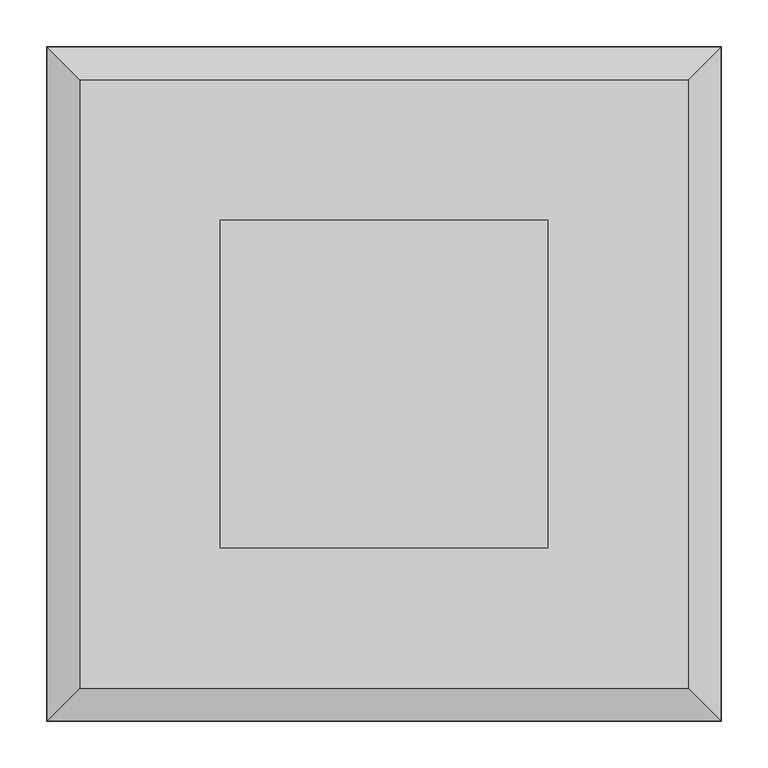
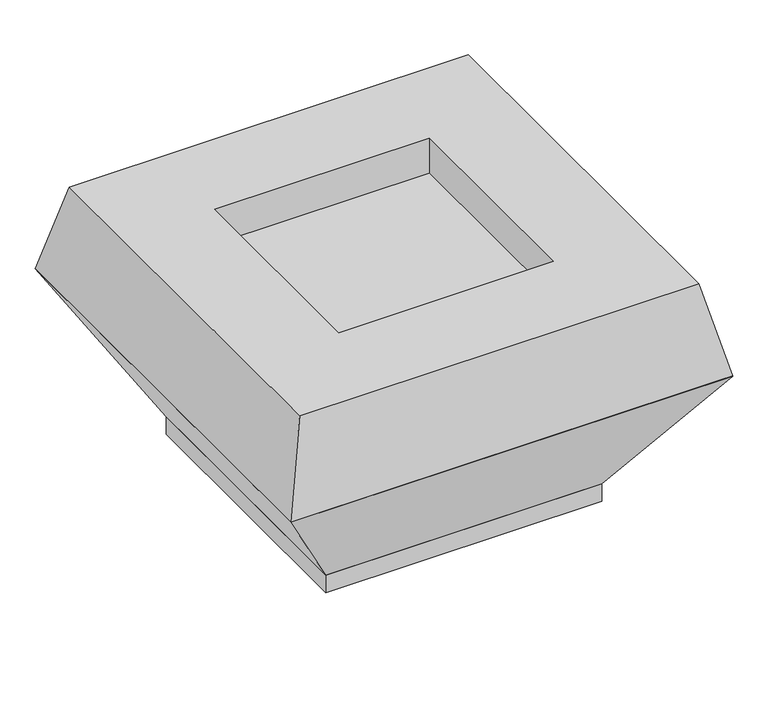
"""IFC4 building model written with IfcOpenShell, lengths in millimetres: proxy geometry."""

import ifcopenshell
import ifcopenshell.guid

model = None  # the IFC model being written
_history = None  # IfcOwnerHistory: only IFC2X3 demands one
_inside = {}  # id of a spatial element -> (the spatial element, [elements in it])
_under = {}  # id of a project, library or spatial element -> (it, [spatial elements below it])
_declared = {}  # id of a project -> (the project, [libraries it declares])
_typed = {}  # id of a type object -> (the type object, [elements of that type])
_made_of = {}  # id of a material, layer set ... -> (it, [elements and type objects made of it])


def new_model(schema):
    """Start an empty IFC model of exactly this schema.

    Asked for "IFC4X3", IfcOpenShell would pick the latest addendum, in which some entities
    have other attributes; the version numbers below select the first issue.
    IFC2X3 requires an IfcOwnerHistory on every rooted entity: one is made here for all.
    """
    global model, _history
    if schema == "IFC4X3":
        model = ifcopenshell.file(schema_version=(4, 3, 0, 0))
    else:
        model = ifcopenshell.file(schema=schema)
    _inside.clear()
    _under.clear()
    _declared.clear()
    _typed.clear()
    _made_of.clear()
    _history = None
    if model.schema == "IFC2X3":
        org = make("IfcOrganization", Name="unknown")
        user = make(
            "IfcPersonAndOrganization",
            ThePerson=make("IfcPerson", FamilyName="unknown"),
            TheOrganization=org,
        )
        app = make(
            "IfcApplication",
            ApplicationDeveloper=org,
            Version="unknown",
            ApplicationFullName="unknown",
            ApplicationIdentifier="unknown",
        )
        _history = make(
            "IfcOwnerHistory",
            OwningUser=user,
            OwningApplication=app,
            ChangeAction="ADDED",
            CreationDate=0,
        )
    return model


def make(cls, **values):
    """One entity of the class cls with the attributes given. An attribute that is None is left unset."""
    return model.create_entity(
        cls, **{name: value for name, value in values.items() if value is not None}
    )


def rooted(cls, **values):
    """An entity with a GlobalId (a new one), such as an element, a storey or a relation."""
    return make(cls, GlobalId=ifcopenshell.guid.new(), OwnerHistory=_history, **values)


def si_unit(unit_type, name, prefix=None):
    """IfcSIUnit, for example si_unit("LENGTHUNIT", "METRE", prefix="MILLI")."""
    return make("IfcSIUnit", UnitType=unit_type, Prefix=prefix, Name=name)


def assignment(units):
    """IfcUnitAssignment: the units of a project."""
    return None if units is None else make("IfcUnitAssignment", Units=units)


def point(xyz):
    """IfcCartesianPoint."""
    return None if xyz is None else make("IfcCartesianPoint", Coordinates=xyz)


def direction(xyz):
    """IfcDirection."""
    return None if xyz is None else make("IfcDirection", DirectionRatios=xyz)


def frame(location, z_axis=None, x_axis=None):
    """IfcAxis2Placement3D, a coordinate frame: its origin and axes. An axis left out is left unset."""
    return make(
        "IfcAxis2Placement3D",
        Location=point(location),
        Axis=direction(z_axis),
        RefDirection=direction(x_axis),
    )


def origin():
    """The frame at (0, 0, 0) with its axes left unset."""
    return frame((0.0, 0.0, 0.0))


def origin_with_axes():
    """The frame at (0, 0, 0) with the z axis (0, 0, 1) and the x axis (1, 0, 0) written out."""
    return frame((0.0, 0.0, 0.0), z_axis=(0.0, 0.0, 1.0), x_axis=(1.0, 0.0, 0.0))


def place(relative_to, where):
    """IfcLocalPlacement: puts the frame where relative to a parent placement (None: the world)."""
    return make(
        "IfcLocalPlacement", PlacementRelTo=relative_to, RelativePlacement=where
    )


def context(
    kind, dimensions, precision=None, world=None, true_north=None, identifier=None
):
    """IfcGeometricRepresentationContext, for example the 3D "Model" context."""
    return make(
        "IfcGeometricRepresentationContext",
        ContextIdentifier=identifier,
        ContextType=kind,
        CoordinateSpaceDimension=dimensions,
        Precision=precision,
        WorldCoordinateSystem=world,
        TrueNorth=true_north,
    )


def project(units=None, contexts=None):
    """IfcProject with its units and contexts."""
    return rooted(
        "IfcProject",
        Name="project",
        RepresentationContexts=contexts,
        UnitsInContext=assignment(units),
    )


def spatial(cls, under=None, at=None, **own):
    """A site, building, storey or space (cls), placed at a placement, below another one or the project."""
    s = rooted(cls, ObjectPlacement=at, **own)
    if under is not None:
        _under.setdefault(under.id(), (under, []))[1].append(s)
    return s


def polyline(points):
    """IfcPolyline through the points."""
    return make("IfcPolyline", Points=[point(p) for p in points])


def outline(outer, holes=None, kind="AREA"):
    """IfcArbitraryClosedProfileDef: a profile drawn as a closed curve; with holes, ...WithVoids."""
    if holes is None:
        return make("IfcArbitraryClosedProfileDef", ProfileType=kind, OuterCurve=outer)
    return make(
        "IfcArbitraryProfileDefWithVoids",
        ProfileType=kind,
        OuterCurve=outer,
        InnerCurves=holes,
    )


def extrude(swept, where, along, depth):
    """IfcExtrudedAreaSolid: the profile swept, set in the frame where, extruded along a direction by depth."""
    return make(
        "IfcExtrudedAreaSolid",
        SweptArea=swept,
        Position=where,
        ExtrudedDirection=direction(along),
        Depth=depth,
    )


def faces_of(points, faces, orient=None, outer=None):
    """IfcFace entities. A face is a list of loops; a loop is a list of indices into points, from 0.

    orient and outer hold one flag for each loop. By default every Orientation is true, the
    first loop of a face is its IfcFaceOuterBound and the others are IfcFaceBound.
    """
    made = []
    for i, loops in enumerate(faces):
        bounds = []
        for j, loop in enumerate(loops):
            is_outer = j == 0 if outer is None else outer[i][j]
            bounds.append(
                make(
                    "IfcFaceOuterBound" if is_outer else "IfcFaceBound",
                    Bound=make("IfcPolyLoop", Polygon=[points[k] for k in loop]),
                    Orientation=True if orient is None else orient[i][j],
                )
            )
        made.append(make("IfcFace", Bounds=bounds))
    return made


def faceted_brep(points, faces, orient=None, outer=None, voids=None):
    """IfcFacetedBrep: a solid bounded by flat faces; with voids (closed shells), ...WithVoids."""
    shared = [point(p) for p in points]
    hull = make("IfcClosedShell", CfsFaces=faces_of(shared, faces, orient, outer))
    if voids is None:
        return make("IfcFacetedBrep", Outer=hull)
    return make(
        "IfcFacetedBrepWithVoids",
        Outer=hull,
        Voids=[
            make(cls, CfsFaces=faces_of(shared, fs, o, b)) for cls, fs, o, b in voids
        ],
    )


def shape(context_of_items, identifier, shape_type, items):
    """IfcShapeRepresentation: the items that make up one representation, for example the "Body"."""
    return make(
        "IfcShapeRepresentation",
        ContextOfItems=context_of_items,
        RepresentationIdentifier=identifier,
        RepresentationType=shape_type,
        Items=items,
    )


def source(mapping_origin, context_of_items, identifier, shape_type, items):
    """IfcRepresentationMap: a shape defined once, which mapped items show again and again."""
    return make(
        "IfcRepresentationMap",
        MappingOrigin=mapping_origin,
        MappedRepresentation=shape(context_of_items, identifier, shape_type, items),
    )


def transform(
    local_origin,
    x_axis=None,
    y_axis=None,
    z_axis=None,
    scale=None,
    scale2=None,
    scale3=None,
    uniform=True,
):
    """IfcCartesianTransformationOperator3D, or its non-uniform kind. x_axis, y_axis, z_axis: its Axis1, 2, 3."""
    if uniform:
        return make(
            "IfcCartesianTransformationOperator3D",
            Axis1=direction(x_axis),
            Axis2=direction(y_axis),
            LocalOrigin=point(local_origin),
            Scale=scale,
            Axis3=direction(z_axis),
        )
    return make(
        "IfcCartesianTransformationOperator3DnonUniform",
        Axis1=direction(x_axis),
        Axis2=direction(y_axis),
        LocalOrigin=point(local_origin),
        Scale=scale,
        Axis3=direction(z_axis),
        Scale2=scale2,
        Scale3=scale3,
    )


def mapped(mapping_source, mapping_target):
    """IfcMappedItem: shows the shape of a source again, moved by a transform."""
    return make(
        "IfcMappedItem", MappingSource=mapping_source, MappingTarget=mapping_target
    )


def made_of(thing, what):
    """Note that an element or type object is made of a material, layer set ...; save() writes the relation."""
    if what is not None:
        _made_of.setdefault(what.id(), (what, []))[1].append(thing)
    return thing


def element(
    cls,
    number,
    at=None,
    inside=None,
    cuts=None,
    type_object=None,
    material=None,
    context=None,
    identifier="Body",
    shape_type=None,
    held_by="IfcProductDefinitionShape",
    body=None,
    shapes=None,
    **own,
):
    """One element of the class cls, such as IfcWall. Its Tag is "e" and its number.

    at: its placement. inside: the storey or other place that contains it. cuts: it is an
    opening in that element (IfcRelVoidsElement). A single representation is given by context,
    identifier, shape_type and body (its items); several are given by shapes. held_by: the class
    of the entity that holds the representations. save() writes the other relations.
    """
    e = rooted(cls, Tag="e%d" % number, ObjectPlacement=at, **own)
    if body is not None:
        shapes = [shape(context, identifier, shape_type, body)]
    if shapes is not None:
        e.Representation = make(held_by, Representations=shapes)
    if inside is not None:
        _inside.setdefault(inside.id(), (inside, []))[1].append(e)
    if cuts is not None:
        rooted(
            "IfcRelVoidsElement", RelatingBuildingElement=cuts, RelatedOpeningElement=e
        )
    if type_object is not None:
        _typed.setdefault(type_object.id(), (type_object, []))[1].append(e)
    return made_of(e, material)


def aggregate(whole, parts):
    """IfcRelAggregates: a whole, such as a stair, and the parts it consists of."""
    return rooted("IfcRelAggregates", RelatingObject=whole, RelatedObjects=parts)


def save(model, path):
    """Write the relations noted so far, then the file.

    IfcRelAggregates (storeys below a building ...), IfcRelContainedInSpatialStructure (elements
    in a storey), IfcRelDefinesByType, IfcRelAssociatesMaterial and IfcRelDeclares: one each for
    every whole, place, type object, material and project.
    """
    for whole, parts in _under.values():
        aggregate(whole, parts)
    for where, things in _inside.values():
        rooted(
            "IfcRelContainedInSpatialStructure",
            RelatedElements=things,
            RelatingStructure=where,
        )
    for kind, things in _typed.values():
        rooted("IfcRelDefinesByType", RelatedObjects=things, RelatingType=kind)
    for what, things in _made_of.values():
        rooted("IfcRelAssociatesMaterial", RelatedObjects=things, RelatingMaterial=what)
    for by, libraries in _declared.values():
        rooted("IfcRelDeclares", RelatingContext=by, RelatedDefinitions=libraries)
    model.write(path)


def mechanical_equipment_0cf6dc37(model_context):
    return source(origin(), model_context, "Body", "SolidModel", [
        faceted_brep([(360.0, 360.0, 250.0), (-360.0, 360.0, 250.0), (-360.0, -360.0, 250.0), (360.0, -360.0, 250.0), (225.0, 225.0, 30.0), (225.0, -225.0, 30.0), (-225.0, -225.0, 30.0), (-225.0, 225.0, 30.0)], [[[0, 1, 2, 3]], [[4, 5, 6, 7]], [[4, 7, 1, 0]], [[7, 6, 2, 1]], [[6, 5, 3, 2]], [[5, 4, 0, 3]]]),
        faceted_brep([(325.0, 325.0, 400.0), (-325.0, 325.0, 400.0), (-325.0, -325.0, 400.0), (325.0, -325.0, 400.0), (-175.0, 175.0, 400.0), (175.0, 175.0, 400.0), (175.0, -175.0, 400.0), (-175.0, -175.0, 400.0), (360.0, 360.0, 250.0), (360.0, -360.0, 250.0), (-360.0, -360.0, 250.0), (-360.0, 360.0, 250.0), (175.0, 175.0, 340.0), (-175.0, 175.0, 340.0), (-175.0, -175.0, 340.0), (175.0, -175.0, 340.0)], [[[0, 1, 2, 3], [4, 5, 6, 7]], [[8, 9, 10, 11]], [[1, 0, 8, 11]], [[2, 1, 11, 10]], [[3, 2, 10, 9]], [[0, 3, 9, 8]], [[12, 13, 14, 15]], [[13, 12, 5, 4]], [[14, 13, 4, 7]], [[15, 14, 7, 6]], [[12, 15, 6, 5]]]),
        extrude(outline(polyline([(225.0, 225.0), (225.0, -225.0), (-225.0, -225.0), (-225.0, 225.0), (225.0, 225.0)])), origin_with_axes(), (0.0, 0.0, 1.0), 30.0),
    ])


if __name__ == "__main__":
    model = new_model("IFC4")
    model_context = context("Model", 3, world=origin())
    ifc_project = project(units=[si_unit("LENGTHUNIT", "METRE", prefix="MILLI")], contexts=[model_context])
    site = spatial("IfcSite", under=ifc_project)
    building = spatial("IfcBuilding", under=site)
    placement = place(None, origin())
    mechanical_equipment_shape = mechanical_equipment_0cf6dc37(model_context)
    element("IfcBuildingElementProxy", 1, Name="Mechanical Equipment", at=placement, inside=building, context=model_context, shape_type="MappedRepresentation", body=[
        mapped(mechanical_equipment_shape, transform((0.0, 0.0, 0.0), x_axis=(1.0, 0.0, 0.0), y_axis=(0.0, 1.0, 0.0), z_axis=(0.0, 0.0, 1.0))),
    ])
    save(model, "model.ifc")
